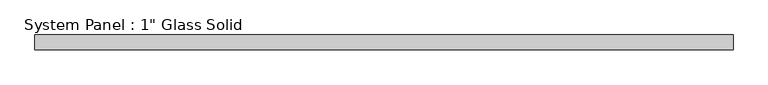
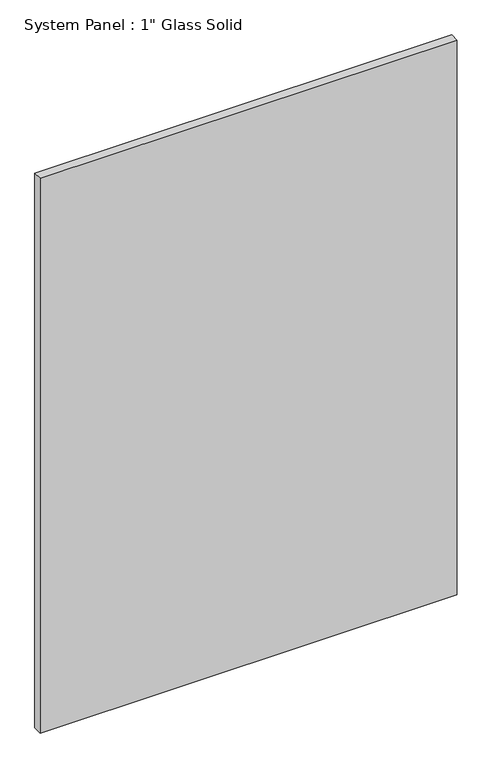
"""IFC4 building model written with IfcOpenShell, lengths in millimetres: plate geometry."""

from ifc_helpers import new_model, si_unit, origin, origin_with_axes, place, context, project, spatial, polyline, outline, extrude, source, transform, mapped, element, save


def plate_8f31710e(model_context):
    return source(origin(), model_context, "Body", "SweptSolid", [
        extrude(outline(polyline([(593.725, -12.7), (-593.725, -12.7), (-593.725, 12.7), (593.725, 12.7), (593.725, -12.7)])), origin_with_axes(), (0.0, 0.0, 1.0), 1670.05),
    ])


if __name__ == "__main__":
    model = new_model("IFC4")
    model_context = context("Model", 3, world=origin())
    ifc_project = project(units=[si_unit("LENGTHUNIT", "METRE", prefix="MILLI")], contexts=[model_context])
    site = spatial("IfcSite", under=ifc_project)
    building = spatial("IfcBuilding", under=site)
    placement = place(None, origin())
    plate_shape = plate_8f31710e(model_context)
    element("IfcPlate", 1, ObjectType="System Panel : 1\" Glass Solid", at=placement, inside=building, context=model_context, shape_type="MappedRepresentation", body=[
        mapped(plate_shape, transform((0.0, 0.0, 0.0), x_axis=(1.0, 0.0, 0.0), y_axis=(0.0, 1.0, 0.0), z_axis=(0.0, 0.0, 1.0))),
    ])
    save(model, "model.ifc")
